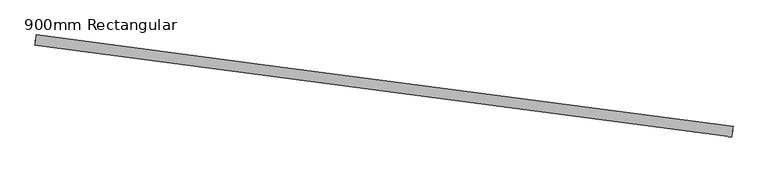
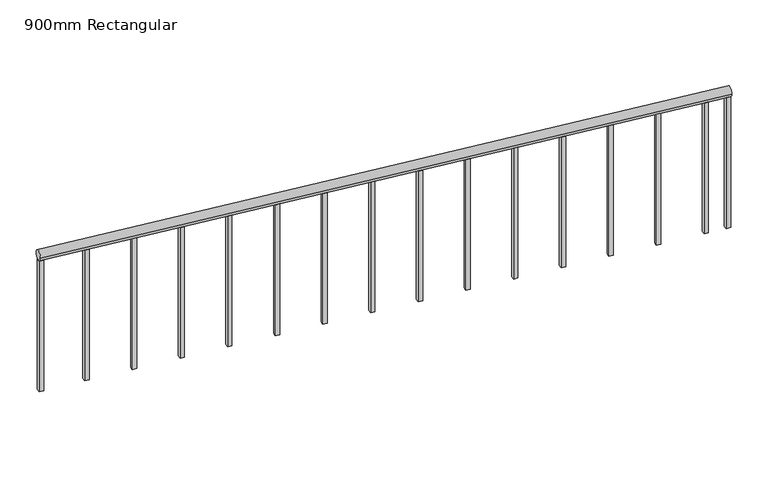
"""IFC4 building model written with IfcOpenShell, lengths in millimetres: railing geometry, 900mm Rectangular."""

from ifc_helpers import new_model, si_unit, point, frame, frame_2d, origin, place, context, project, spatial, polyline, circle_curve, trimmed, segment, composite_curve, outline, extrude, source, transform, mapped, element, save


def railing_900mm_rectangular_f45b366c(model_context):
    return source(origin(), model_context, "Body", "SweptSolid", [
        extrude(outline(composite_curve([segment(trimmed(circle_curve(frame_2d((0.0, 20.0)), 30.0), [point((30.0, 20.0))], [point((-30.0, 20.0))], False, "CARTESIAN"), True, "CONTINUOUS"), segment(trimmed(circle_curve(frame_2d((0.0, 20.0)), 30.0), [point((-30.0, 20.0))], [point((30.0, 20.0))], False, "CARTESIAN"), True, "CONTINUOUS")], self_intersect=False)), frame((7511.4332441, 7501.0249205, 4500.0), z_axis=(-0.9914201998117735, 0.13071337883010728, 0.0), x_axis=(0.13071337883010728, 0.9914201998117735, 0.0)), (0.0, 0.0, 1.0), 3990.0),
        extrude(outline(polyline([(7358.6077464, 7508.5659583), (7361.8755809, 7533.3514633), (7386.6610859, 7530.0836288), (7383.3932514, 7505.2981238), (7358.6077464, 7508.5659583)])), frame((0.0, 0.0, 3600.0), z_axis=(0.0, 0.0, 1.0), x_axis=(1.0, 0.0, 0.0)), (0.0, 0.0, 1.0), 850.0),
        extrude(outline(polyline([(7085.9671915, 7544.5121375), (7089.235026, 7569.2976425), (7114.020531, 7566.029808), (7110.7526965, 7541.244303), (7085.9671915, 7544.5121375)])), frame((0.0, 0.0, 3600.0), z_axis=(0.0, 0.0, 1.0), x_axis=(1.0, 0.0, 0.0)), (0.0, 0.0, 1.0), 850.0),
        extrude(outline(polyline([(6813.3266365, 7580.4583167), (6816.594471, 7605.2438217), (6841.379976, 7601.9759872), (6838.1121415, 7577.1904822), (6813.3266365, 7580.4583167)])), frame((0.0, 0.0, 3600.0), z_axis=(0.0, 0.0, 1.0), x_axis=(1.0, 0.0, 0.0)), (0.0, 0.0, 1.0), 850.0),
        extrude(outline(polyline([(6540.6860816, 7616.4044958), (6543.9539161, 7641.1900008), (6568.7394211, 7637.9221664), (6565.4715866, 7613.1366614), (6540.6860816, 7616.4044958)])), frame((0.0, 0.0, 3600.0), z_axis=(0.0, 0.0, 1.0), x_axis=(1.0, 0.0, 0.0)), (0.0, 0.0, 1.0), 850.0),
        extrude(outline(polyline([(6268.0455266, 7652.350675), (6271.3133611, 7677.13618), (6296.0988661, 7673.8683456), (6292.8310316, 7649.0828406), (6268.0455266, 7652.350675)])), frame((0.0, 0.0, 3600.0), z_axis=(0.0, 0.0, 1.0), x_axis=(1.0, 0.0, 0.0)), (0.0, 0.0, 1.0), 850.0),
        extrude(outline(polyline([(5995.4049717, 7688.2968542), (5998.6728062, 7713.0823592), (6023.4583112, 7709.8145247), (6020.1904767, 7685.0290197), (5995.4049717, 7688.2968542)])), frame((0.0, 0.0, 3600.0), z_axis=(0.0, 0.0, 1.0), x_axis=(1.0, 0.0, 0.0)), (0.0, 0.0, 1.0), 850.0),
        extrude(outline(polyline([(5722.7644167, 7724.2430334), (5726.0322512, 7749.0285384), (5750.8177562, 7745.7607039), (5747.5499217, 7720.9751989), (5722.7644167, 7724.2430334)])), frame((0.0, 0.0, 3600.0), z_axis=(0.0, 0.0, 1.0), x_axis=(1.0, 0.0, 0.0)), (0.0, 0.0, 1.0), 850.0),
        extrude(outline(polyline([(5450.1238618, 7760.1892126), (5453.3916963, 7784.9747176), (5478.1772013, 7781.7068831), (5474.9093668, 7756.9213781), (5450.1238618, 7760.1892126)])), frame((0.0, 0.0, 3600.0), z_axis=(0.0, 0.0, 1.0), x_axis=(1.0, 0.0, 0.0)), (0.0, 0.0, 1.0), 850.0),
        extrude(outline(polyline([(5177.4833068, 7796.1353917), (5180.7511413, 7820.9208967), (5205.5366463, 7817.6530623), (5202.2688118, 7792.8675573), (5177.4833068, 7796.1353917)])), frame((0.0, 0.0, 3600.0), z_axis=(0.0, 0.0, 1.0), x_axis=(1.0, 0.0, 0.0)), (0.0, 0.0, 1.0), 850.0),
        extrude(outline(polyline([(4904.8427519, 7832.0815709), (4908.1105864, 7856.8670759), (4932.8960914, 7853.5992414), (4929.6282569, 7828.8137364), (4904.8427519, 7832.0815709)])), frame((0.0, 0.0, 3600.0), z_axis=(0.0, 0.0, 1.0), x_axis=(1.0, 0.0, 0.0)), (0.0, 0.0, 1.0), 850.0),
        extrude(outline(polyline([(4632.202197, 7868.0277501), (4635.4700314, 7892.8132551), (4660.2555364, 7889.5454206), (4656.9877019, 7864.7599156), (4632.202197, 7868.0277501)])), frame((0.0, 0.0, 3600.0), z_axis=(0.0, 0.0, 1.0), x_axis=(1.0, 0.0, 0.0)), (0.0, 0.0, 1.0), 850.0),
        extrude(outline(polyline([(4359.561642, 7903.9739293), (4362.8294765, 7928.7594343), (4387.6149815, 7925.4915998), (4384.347147, 7900.7060948), (4359.561642, 7903.9739293)])), frame((0.0, 0.0, 3600.0), z_axis=(0.0, 0.0, 1.0), x_axis=(1.0, 0.0, 0.0)), (0.0, 0.0, 1.0), 850.0),
        extrude(outline(polyline([(4086.9210871, 7939.9201085), (4090.1889215, 7964.7056134), (4114.9744265, 7961.437779), (4111.706592, 7936.652274), (4086.9210871, 7939.9201085)])), frame((0.0, 0.0, 3600.0), z_axis=(0.0, 0.0, 1.0), x_axis=(1.0, 0.0, 0.0)), (0.0, 0.0, 1.0), 850.0),
        extrude(outline(polyline([(3814.2805321, 7975.8662876), (3817.5483666, 8000.6517926), (3842.3338716, 7997.3839582), (3839.0660371, 7972.5984532), (3814.2805321, 7975.8662876)])), frame((0.0, 0.0, 3600.0), z_axis=(0.0, 0.0, 1.0), x_axis=(1.0, 0.0, 0.0)), (0.0, 0.0, 1.0), 850.0),
        extrude(outline(polyline([(7485.0138219, 7491.9000025), (7488.2816564, 7516.6855075), (7513.0671614, 7513.417673), (7509.7993269, 7488.632168), (7485.0138219, 7491.9000025)])), frame((0.0, 0.0, 3600.0), z_axis=(0.0, 0.0, 1.0), x_axis=(1.0, 0.0, 0.0)), (0.0, 0.0, 1.0), 850.0),
        extrude(outline(polyline([(3554.0327297, 8010.1785496), (3557.3005641, 8034.9640546), (3582.0860691, 8031.6962201), (3578.8182347, 8006.9107151), (3554.0327297, 8010.1785496)])), frame((0.0, 0.0, 3600.0), z_axis=(0.0, 0.0, 1.0), x_axis=(1.0, 0.0, 0.0)), (0.0, 0.0, 1.0), 850.0),
    ])


if __name__ == "__main__":
    model = new_model("IFC4")
    model_context = context("Model", 3, world=origin())
    ifc_project = project(units=[si_unit("LENGTHUNIT", "METRE", prefix="MILLI")], contexts=[model_context])
    site = spatial("IfcSite", under=ifc_project)
    building = spatial("IfcBuilding", under=site)
    placement = place(None, origin())
    railing_900mm_rectangular_shape = railing_900mm_rectangular_f45b366c(model_context)
    element("IfcRailing", 1, ObjectType="900mm Rectangular", at=placement, inside=building, context=model_context, shape_type="MappedRepresentation", body=[
        mapped(railing_900mm_rectangular_shape, transform((0.0, 0.0, 0.0), x_axis=(1.0, 0.0, 0.0), y_axis=(0.0, 1.0, 0.0), z_axis=(0.0, 0.0, 1.0))),
    ])
    save(model, "model.ifc")
